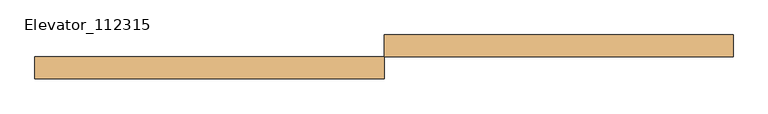
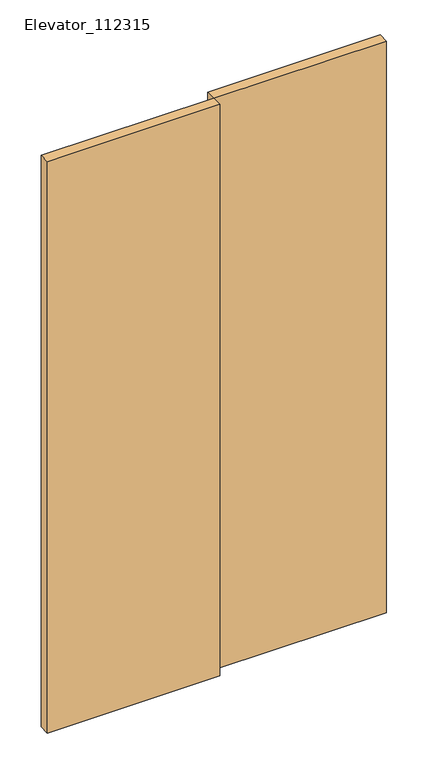
"""IFC4 building model written with IfcOpenShell, lengths in millimetres: door geometry, Elevator_112315."""

from ifc_helpers import new_model, si_unit, origin, origin_with_axes, place, context, project, spatial, polyline, outline, extrude, source, transform, mapped, element, save


def elevator_112315_1b6db370(model_context):
    return source(origin(), model_context, "Body", "SweptSolid", [
        extrude(outline(polyline([(0.0, 31.75), (-609.6, 31.75), (-609.6, 69.85), (0.0, 69.85), (0.0, 31.75)])), origin_with_axes(), (0.0, 0.0, 1.0), 2133.6),
        extrude(outline(polyline([(609.6, 69.85), (0.0, 69.85), (0.0, 107.95), (609.6, 107.95), (609.6, 69.85)])), origin_with_axes(), (0.0, 0.0, 1.0), 2133.6),
    ])


if __name__ == "__main__":
    model = new_model("IFC4")
    model_context = context("Model", 3, world=origin())
    ifc_project = project(units=[si_unit("LENGTHUNIT", "METRE", prefix="MILLI")], contexts=[model_context])
    site = spatial("IfcSite", under=ifc_project)
    building = spatial("IfcBuilding", under=site)
    placement = place(None, origin())
    elevator_112315_shape = elevator_112315_1b6db370(model_context)
    element("IfcDoor", 1, ObjectType="Elevator_112315", at=placement, inside=building, context=model_context, shape_type="MappedRepresentation", body=[
        mapped(elevator_112315_shape, transform((0.0, 0.0, 0.0), x_axis=(1.0, 0.0, 0.0), y_axis=(0.0, 1.0, 0.0), z_axis=(0.0, 0.0, 1.0))),
    ])
    save(model, "model.ifc")
